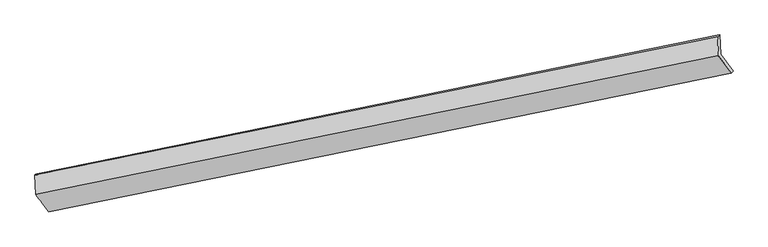
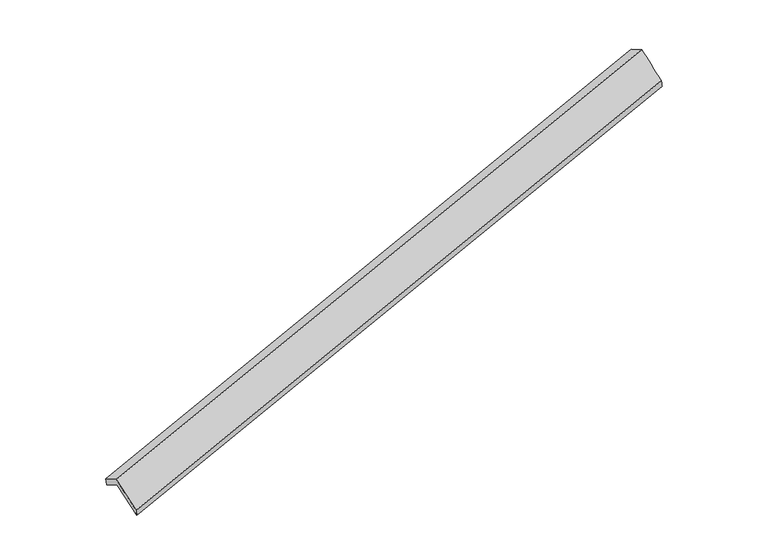
"""IFC4 building model written with IfcOpenShell, lengths in millimetres: proxy geometry."""

import ifcopenshell
import ifcopenshell.guid

model = None  # the IFC model being written
_history = None  # IfcOwnerHistory: only IFC2X3 demands one
_inside = {}  # id of a spatial element -> (the spatial element, [elements in it])
_under = {}  # id of a project, library or spatial element -> (it, [spatial elements below it])
_declared = {}  # id of a project -> (the project, [libraries it declares])
_typed = {}  # id of a type object -> (the type object, [elements of that type])
_made_of = {}  # id of a material, layer set ... -> (it, [elements and type objects made of it])


def new_model(schema):
    """Start an empty IFC model of exactly this schema.

    Asked for "IFC4X3", IfcOpenShell would pick the latest addendum, in which some entities
    have other attributes; the version numbers below select the first issue.
    IFC2X3 requires an IfcOwnerHistory on every rooted entity: one is made here for all.
    """
    global model, _history
    if schema == "IFC4X3":
        model = ifcopenshell.file(schema_version=(4, 3, 0, 0))
    else:
        model = ifcopenshell.file(schema=schema)
    _inside.clear()
    _under.clear()
    _declared.clear()
    _typed.clear()
    _made_of.clear()
    _history = None
    if model.schema == "IFC2X3":
        org = make("IfcOrganization", Name="unknown")
        user = make(
            "IfcPersonAndOrganization",
            ThePerson=make("IfcPerson", FamilyName="unknown"),
            TheOrganization=org,
        )
        app = make(
            "IfcApplication",
            ApplicationDeveloper=org,
            Version="unknown",
            ApplicationFullName="unknown",
            ApplicationIdentifier="unknown",
        )
        _history = make(
            "IfcOwnerHistory",
            OwningUser=user,
            OwningApplication=app,
            ChangeAction="ADDED",
            CreationDate=0,
        )
    return model


def make(cls, **values):
    """One entity of the class cls with the attributes given. An attribute that is None is left unset."""
    return model.create_entity(
        cls, **{name: value for name, value in values.items() if value is not None}
    )


def rooted(cls, **values):
    """An entity with a GlobalId (a new one), such as an element, a storey or a relation."""
    return make(cls, GlobalId=ifcopenshell.guid.new(), OwnerHistory=_history, **values)


def si_unit(unit_type, name, prefix=None):
    """IfcSIUnit, for example si_unit("LENGTHUNIT", "METRE", prefix="MILLI")."""
    return make("IfcSIUnit", UnitType=unit_type, Prefix=prefix, Name=name)


def assignment(units):
    """IfcUnitAssignment: the units of a project."""
    return None if units is None else make("IfcUnitAssignment", Units=units)


def point(xyz):
    """IfcCartesianPoint."""
    return None if xyz is None else make("IfcCartesianPoint", Coordinates=xyz)


def direction(xyz):
    """IfcDirection."""
    return None if xyz is None else make("IfcDirection", DirectionRatios=xyz)


def frame(location, z_axis=None, x_axis=None):
    """IfcAxis2Placement3D, a coordinate frame: its origin and axes. An axis left out is left unset."""
    return make(
        "IfcAxis2Placement3D",
        Location=point(location),
        Axis=direction(z_axis),
        RefDirection=direction(x_axis),
    )


def origin():
    """The frame at (0, 0, 0) with its axes left unset."""
    return frame((0.0, 0.0, 0.0))


def place(relative_to, where):
    """IfcLocalPlacement: puts the frame where relative to a parent placement (None: the world)."""
    return make(
        "IfcLocalPlacement", PlacementRelTo=relative_to, RelativePlacement=where
    )


def context(
    kind, dimensions, precision=None, world=None, true_north=None, identifier=None
):
    """IfcGeometricRepresentationContext, for example the 3D "Model" context."""
    return make(
        "IfcGeometricRepresentationContext",
        ContextIdentifier=identifier,
        ContextType=kind,
        CoordinateSpaceDimension=dimensions,
        Precision=precision,
        WorldCoordinateSystem=world,
        TrueNorth=true_north,
    )


def project(units=None, contexts=None):
    """IfcProject with its units and contexts."""
    return rooted(
        "IfcProject",
        Name="project",
        RepresentationContexts=contexts,
        UnitsInContext=assignment(units),
    )


def spatial(cls, under=None, at=None, **own):
    """A site, building, storey or space (cls), placed at a placement, below another one or the project."""
    s = rooted(cls, ObjectPlacement=at, **own)
    if under is not None:
        _under.setdefault(under.id(), (under, []))[1].append(s)
    return s


def shape(context_of_items, identifier, shape_type, items):
    """IfcShapeRepresentation: the items that make up one representation, for example the "Body"."""
    return make(
        "IfcShapeRepresentation",
        ContextOfItems=context_of_items,
        RepresentationIdentifier=identifier,
        RepresentationType=shape_type,
        Items=items,
    )


def source(mapping_origin, context_of_items, identifier, shape_type, items):
    """IfcRepresentationMap: a shape defined once, which mapped items show again and again."""
    return make(
        "IfcRepresentationMap",
        MappingOrigin=mapping_origin,
        MappedRepresentation=shape(context_of_items, identifier, shape_type, items),
    )


def transform(
    local_origin,
    x_axis=None,
    y_axis=None,
    z_axis=None,
    scale=None,
    scale2=None,
    scale3=None,
    uniform=True,
):
    """IfcCartesianTransformationOperator3D, or its non-uniform kind. x_axis, y_axis, z_axis: its Axis1, 2, 3."""
    if uniform:
        return make(
            "IfcCartesianTransformationOperator3D",
            Axis1=direction(x_axis),
            Axis2=direction(y_axis),
            LocalOrigin=point(local_origin),
            Scale=scale,
            Axis3=direction(z_axis),
        )
    return make(
        "IfcCartesianTransformationOperator3DnonUniform",
        Axis1=direction(x_axis),
        Axis2=direction(y_axis),
        LocalOrigin=point(local_origin),
        Scale=scale,
        Axis3=direction(z_axis),
        Scale2=scale2,
        Scale3=scale3,
    )


def mapped(mapping_source, mapping_target):
    """IfcMappedItem: shows the shape of a source again, moved by a transform."""
    return make(
        "IfcMappedItem", MappingSource=mapping_source, MappingTarget=mapping_target
    )


def made_of(thing, what):
    """Note that an element or type object is made of a material, layer set ...; save() writes the relation."""
    if what is not None:
        _made_of.setdefault(what.id(), (what, []))[1].append(thing)
    return thing


def element(
    cls,
    number,
    at=None,
    inside=None,
    cuts=None,
    type_object=None,
    material=None,
    context=None,
    identifier="Body",
    shape_type=None,
    held_by="IfcProductDefinitionShape",
    body=None,
    shapes=None,
    **own,
):
    """One element of the class cls, such as IfcWall. Its Tag is "e" and its number.

    at: its placement. inside: the storey or other place that contains it. cuts: it is an
    opening in that element (IfcRelVoidsElement). A single representation is given by context,
    identifier, shape_type and body (its items); several are given by shapes. held_by: the class
    of the entity that holds the representations. save() writes the other relations.
    """
    e = rooted(cls, Tag="e%d" % number, ObjectPlacement=at, **own)
    if body is not None:
        shapes = [shape(context, identifier, shape_type, body)]
    if shapes is not None:
        e.Representation = make(held_by, Representations=shapes)
    if inside is not None:
        _inside.setdefault(inside.id(), (inside, []))[1].append(e)
    if cuts is not None:
        rooted(
            "IfcRelVoidsElement", RelatingBuildingElement=cuts, RelatedOpeningElement=e
        )
    if type_object is not None:
        _typed.setdefault(type_object.id(), (type_object, []))[1].append(e)
    return made_of(e, material)


def aggregate(whole, parts):
    """IfcRelAggregates: a whole, such as a stair, and the parts it consists of."""
    return rooted("IfcRelAggregates", RelatingObject=whole, RelatedObjects=parts)


def save(model, path):
    """Write the relations noted so far, then the file.

    IfcRelAggregates (storeys below a building ...), IfcRelContainedInSpatialStructure (elements
    in a storey), IfcRelDefinesByType, IfcRelAssociatesMaterial and IfcRelDeclares: one each for
    every whole, place, type object, material and project.
    """
    for whole, parts in _under.values():
        aggregate(whole, parts)
    for where, things in _inside.values():
        rooted(
            "IfcRelContainedInSpatialStructure",
            RelatedElements=things,
            RelatingStructure=where,
        )
    for kind, things in _typed.values():
        rooted("IfcRelDefinesByType", RelatedObjects=things, RelatingType=kind)
    for what, things in _made_of.values():
        rooted("IfcRelAssociatesMaterial", RelatedObjects=things, RelatingMaterial=what)
    for by, libraries in _declared.values():
        rooted("IfcRelDeclares", RelatingContext=by, RelatedDefinitions=libraries)
    model.write(path)


def plane_surface(at):
    """IfcPlane: the flat surface through the origin of the frame at, square to its z axis."""
    return make("IfcPlane", Position=at)


def spline_surface(u_degree, v_degree, points, u_multiplicities, v_multiplicities, u_knots, v_knots, weights=None):
    """IfcBSplineSurfaceWithKnots; with weights, IfcRationalBSplineSurfaceWithKnots. points: one row for each step in u."""
    own = dict(
        UDegree=u_degree,
        VDegree=v_degree,
        ControlPointsList=[[point(p) for p in row] for row in points],
        SurfaceForm="UNSPECIFIED",
        UClosed=False,
        VClosed=False,
        SelfIntersect=False,
        UMultiplicities=u_multiplicities,
        VMultiplicities=v_multiplicities,
        UKnots=u_knots,
        VKnots=v_knots,
        KnotSpec="UNSPECIFIED",
    )
    if weights is None:
        return make("IfcBSplineSurfaceWithKnots", **own)
    return make("IfcRationalBSplineSurfaceWithKnots", WeightsData=weights, **own)


def advanced_brep(points, edges, surfaces, faces):
    """IfcAdvancedBrep: a solid bounded by faces that lie on surfaces and meet in shared edges.

    An edge is (start, end): straight between two places in points (the first is 0);
    or (start, end, curve); or (start, end, curve, False) where it runs against its curve.
    A face is (place in surfaces, loops), or (place, loops, False) where it looks against
    its surface's normal. A loop lists edges by number (the first is 1), with a minus sign
    where the edge is run from its end to its start. The first loop is the outer one.
    """
    corners = [point(p) for p in points]
    vertices = [make("IfcVertexPoint", VertexGeometry=c) for c in corners]
    made = []
    for start, end, *more in edges:
        made.append(
            make(
                "IfcEdgeCurve",
                EdgeStart=vertices[start],
                EdgeEnd=vertices[end],
                EdgeGeometry=more[0] if more else make("IfcPolyline", Points=[corners[start], corners[end]]),
                SameSense=more[1] if len(more) > 1 else True,
            )
        )
    hull = []
    for where, loops, *sense in faces:
        bounds = []
        for j, loop in enumerate(loops):
            ring = [make("IfcOrientedEdge", EdgeElement=made[abs(k) - 1], Orientation=k > 0) for k in loop]
            bounds.append(
                make(
                    "IfcFaceOuterBound" if j == 0 else "IfcFaceBound",
                    Bound=make("IfcEdgeLoop", EdgeList=ring),
                    Orientation=True,
                )
            )
        hull.append(make("IfcAdvancedFace", Bounds=bounds, FaceSurface=surfaces[where], SameSense=sense[0] if sense else True))
    return make("IfcAdvancedBrep", Outer=make("IfcClosedShell", CfsFaces=hull))


def generic_models_68ea0f4c(model_context):
    return source(origin(), model_context, "Body", "AdvancedBrep", [
        advanced_brep(
        [(-9681.9107639, -2878.9704938, 155.4810234), (-9697.5282632, -2503.3275943, -53.8851763), (3833.905866, 255.1448355, 3860.3850994), (3849.8862826, -129.227204, 4074.6165232), (-9742.3359846, -2525.2280483, 113.7751224), (3787.4094772, 220.4571358, 4046.3366807), (-9726.0742331, -2916.3669501, 331.7780863), (3803.3083114, -161.9526259, 4259.4744205), (-9471.9492258, -3255.3822021, -295.4361894), (4052.8039524, -501.9109283, 3630.9134562), (-9433.509263, -3210.3503069, -457.6068782), (4093.7626817, -461.5288278, 3460.2122636)],
        [
            (0, 1),
            (1, 2),
            (2, 3),
            (3, 0),
            (1, 4),
            (4, 5),
            (5, 2),
            (4, 6),
            (6, 7),
            (7, 5),
            (6, 8),
            (8, 9),
            (9, 7),
            (8, 10),
            (10, 11),
            (11, 9),
            (10, 0),
            (3, 11),
        ],
        [
            plane_surface(frame((-9689.7195135, -2691.1490441, 50.7979235), z_axis=(0.3315425486011512, -0.4487530231522609, -0.8298796675896813), x_axis=(-0.03629173819458495, 0.8729140033761233, -0.48652240693382776))),
            spline_surface(1, 1, [[(-9697.5282632, -2503.3275943, -53.8851763), (3833.905866, 255.1448355, 3860.3850994)], [(-9742.3359846, -2525.2280483, 113.7751224), (3787.4094772, 220.4571358, 4046.3366807)]], [2, 2], [2, 2], [0.0, 1.0], [0.0, 1.0]),
            plane_surface(frame((-9734.2051088, -2720.7974992, 222.7766043), z_axis=(-0.332199288621027, 0.4486195490017986, 0.8296891784837902), x_axis=(0.036291738194702335, -0.872914003376033, 0.48652240693398113))),
            spline_surface(1, 1, [[(-9726.0742331, -2916.3669501, 331.7780863), (3803.3083114, -161.9526259, 4259.4744205)], [(-9471.9492258, -3255.3822021, -295.4361894), (4052.8039524, -501.9109283, 3630.9134562)]], [2, 2], [2, 2], [0.0, 1.0], [0.0, 1.0]),
            spline_surface(1, 1, [[(-9471.9492258, -3255.3822021, -295.4361894), (4052.8039524, -501.9109283, 3630.9134562)], [(-9433.509263, -3210.3503069, -457.6068782), (4093.7626817, -461.5288278, 3460.2122636)]], [2, 2], [2, 2], [0.0, 1.0], [0.0, 1.0]),
            spline_surface(1, 1, [[(-9433.509263, -3210.3503069, -457.6068782), (4093.7626817, -461.5288278, 3460.2122636)], [(-9681.9107639, -2878.9704938, 155.4810234), (3849.8862826, -129.227204, 4074.6165232)]], [2, 2], [2, 2], [0.0, 1.0], [0.0, 1.0]),
            plane_surface(frame((3903.5127619, -129.8362691, 3888.6564073), z_axis=(0.9434141170322567, 0.19050786847838863, 0.2714342569243398), x_axis=(0.22738283137069482, 0.22418167044175225, -0.9476495273231511))),
            plane_surface(frame((-9625.5512889, -2881.6042659, -34.3156687), z_axis=(-0.941254858497072, -0.19341894737824158, -0.2768183558775498), x_axis=(0.3357412710621388, -0.4478953599952125, -0.8286540565280173))),
        ],
        [
            (0, [[1, 2, 3, 4]]),
            (1, [[5, 6, 7, -2]]),
            (2, [[8, 9, 10, -6]]),
            (3, [[11, 12, 13, -9]]),
            (4, [[14, 15, 16, -12]]),
            (5, [[17, -4, 18, -15]]),
            (6, [[-16, -18, -3, -7, -10, -13]]),
            (7, [[-17, -14, -11, -8, -5, -1]]),
        ],
    ),
    ])


if __name__ == "__main__":
    model = new_model("IFC4")
    model_context = context("Model", 3, world=origin())
    ifc_project = project(units=[si_unit("LENGTHUNIT", "METRE", prefix="MILLI")], contexts=[model_context])
    site = spatial("IfcSite", under=ifc_project)
    building = spatial("IfcBuilding", under=site)
    placement = place(None, origin())
    generic_models_shape = generic_models_68ea0f4c(model_context)
    element("IfcBuildingElementProxy", 1, Name="Generic Models", at=placement, inside=building, context=model_context, shape_type="MappedRepresentation", body=[
        mapped(generic_models_shape, transform((0.0, 0.0, 0.0), x_axis=(1.0, 0.0, 0.0), y_axis=(0.0, 1.0, 0.0), z_axis=(0.0, 0.0, 1.0))),
    ])
    save(model, "model.ifc")
